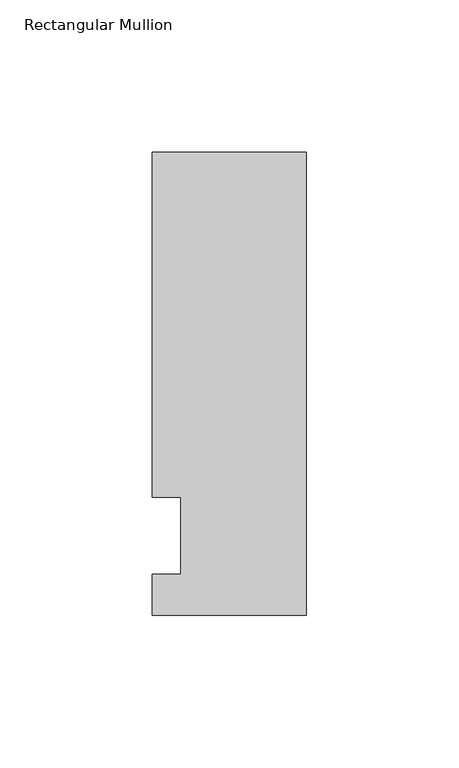
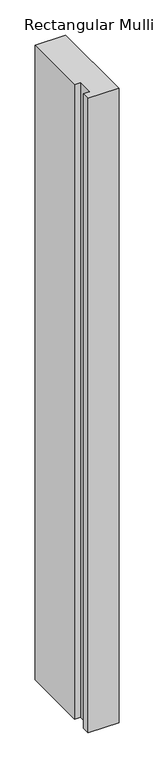
"""IFC4 building model written with IfcOpenShell, lengths in millimetres: member geometry, Rectangular Mullion."""

from ifc_helpers import new_model, si_unit, frame, origin, place, context, project, spatial, polyline, outline, extrude, source, transform, mapped, element, save


def rectangular_mullion_688bb5b2(model_context):
    return source(origin(), model_context, "Body", "SweptSolid", [
        extrude(outline(polyline([(-50.8, -26.19375), (-50.8, -12.7), (-41.275, -12.7), (-41.275, 12.7), (-50.8, 12.7), (-50.8, 126.20625), (0.0, 126.20625), (0.0, -26.19375), (-50.8, -26.19375)])), frame((0.0, 0.0, -1104.9), z_axis=(0.0, 0.0, 1.0), x_axis=(1.0, 0.0, 0.0)), (0.0, 0.0, 1.0), 1104.9),
    ])


if __name__ == "__main__":
    model = new_model("IFC4")
    model_context = context("Model", 3, world=origin())
    ifc_project = project(units=[si_unit("LENGTHUNIT", "METRE", prefix="MILLI")], contexts=[model_context])
    site = spatial("IfcSite", under=ifc_project)
    building = spatial("IfcBuilding", under=site)
    placement = place(None, origin())
    rectangular_mullion_shape = rectangular_mullion_688bb5b2(model_context)
    element("IfcMember", 1, ObjectType="Rectangular Mullion", at=placement, inside=building, context=model_context, shape_type="MappedRepresentation", body=[
        mapped(rectangular_mullion_shape, transform((0.0, 0.0, 0.0), x_axis=(1.0, 0.0, 0.0), y_axis=(0.0, 1.0, 0.0), z_axis=(0.0, 0.0, 1.0))),
    ])
    save(model, "model.ifc")
